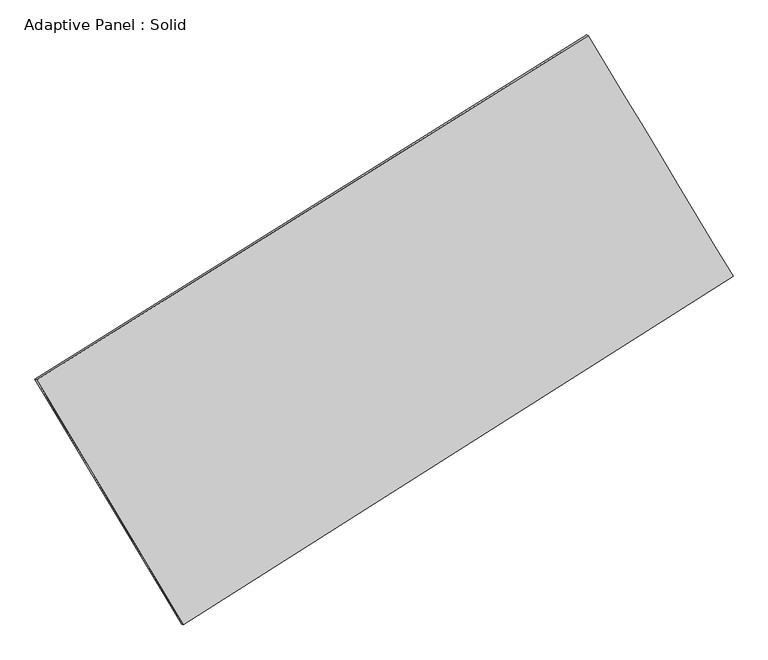
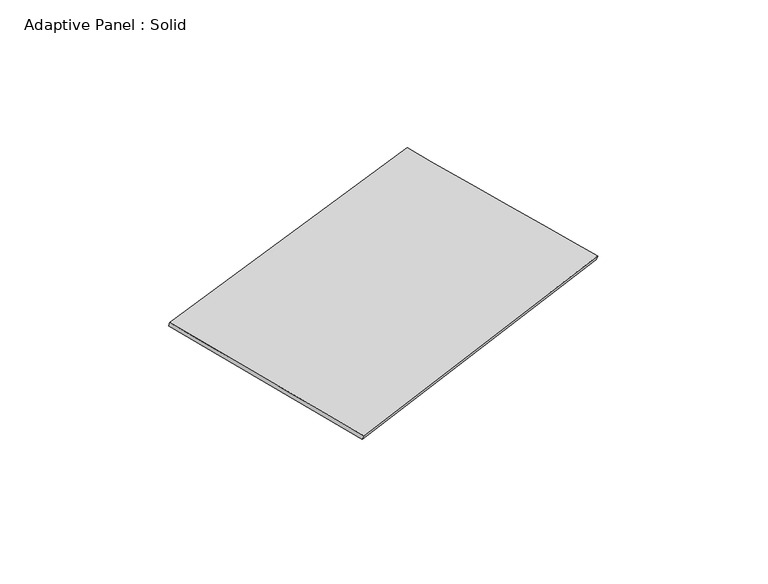
"""IFC4 building model written with IfcOpenShell, lengths in millimetres: plate geometry, Adaptive Panel : Solid."""

from ifc_helpers import new_model, si_unit, frame, origin, place, context, project, spatial, source, transform, mapped, element, save
from ifc_brep_helpers import plane_surface, spline_surface, advanced_brep


def adaptive_panel_solid_89b33cf4(model_context):
    return source(origin(), model_context, "Body", "AdvancedBrep", [
        advanced_brep(
        [(1153.0041671, 2509.4750996, 653.8529502), (-3750.7328583, -551.7136566, 1780.3754632), (-3736.0665025, -558.0937501, 1827.7483713), (1167.6705229, 2503.0950061, 701.2258582), (-2446.4293411, -2728.8900974, 1062.9313948), (-2431.7629852, -2735.2701909, 1110.3043028), (2440.8674542, 370.8800816, -12.037288), (2455.53381, 364.4999881, 35.33562)],
        [
            (0, 1),
            (1, 2),
            (2, 3),
            (3, 0),
            (1, 4),
            (4, 5),
            (5, 2),
            (4, 6),
            (6, 7),
            (7, 5),
            (6, 0),
            (3, 7),
        ],
        [
            plane_surface(frame((-1298.8643456, 978.8807215, 1217.1142067), z_axis=(-0.46805381110238936, 0.8449829567454281, 0.2587072336102783), x_axis=(-0.8326193821621098, -0.519767898980372, 0.19127544441855698))),
            plane_surface(frame((-3098.5810997, -1640.301877, 1421.653429), z_axis=(-0.8168519010842209, -0.5483589571094203, 0.1790402911440973), x_axis=(0.4945360023092012, -0.8254920109779501, -0.27202404715688944))),
            plane_surface(frame((-2.7809434, -1179.0050079, 525.4470534), z_axis=(0.47562959199529997, -0.8402159208482146, -0.26041063260084396), x_axis=(0.8302680577920251, 0.5265978871301812, -0.18261877636291324))),
            plane_surface(frame((1796.9358106, 1440.1775906, 320.9078311), z_axis=(0.8171407081093558, 0.5478780946868462, -0.17919446563120295), x_axis=(-0.49845381619828444, 0.8277205031766848, 0.2577257490789441))),
            spline_surface(1, 1, [[(-3736.0665025, -558.0937501, 1827.7483713), (1167.6705229, 2503.0950061, 701.2258582)], [(-2431.7629852, -2735.2701909, 1110.3043028), (2455.53381, 364.4999881, 35.33562)]], [2, 2], [2, 2], [0.0, 1.0], [0.0, 1.0]),
            spline_surface(1, 1, [[(2440.8674542, 370.8800816, -12.037288), (1153.0041671, 2509.4750996, 653.8529502)], [(-2446.4293411, -2728.8900974, 1062.9313948), (-3750.7328583, -551.7136566, 1780.3754632)]], [2, 2], [2, 2], [0.0, 1.0], [0.0, 1.0]),
        ],
        [
            (0, [[1, 2, 3, 4]]),
            (1, [[5, 6, 7, -2]]),
            (2, [[8, 9, 10, -6]]),
            (3, [[11, -4, 12, -9]]),
            (4, [[-3, -7, -10, -12]]),
            (5, [[-11, -8, -5, -1]]),
        ],
    ),
    ])


if __name__ == "__main__":
    model = new_model("IFC4")
    model_context = context("Model", 3, world=origin())
    ifc_project = project(units=[si_unit("LENGTHUNIT", "METRE", prefix="MILLI")], contexts=[model_context])
    site = spatial("IfcSite", under=ifc_project)
    building = spatial("IfcBuilding", under=site)
    placement = place(None, origin())
    adaptive_panel_solid_shape = adaptive_panel_solid_89b33cf4(model_context)
    element("IfcPlate", 1, ObjectType="Adaptive Panel : Solid", at=placement, inside=building, context=model_context, shape_type="MappedRepresentation", body=[
        mapped(adaptive_panel_solid_shape, transform((0.0, 0.0, 0.0), x_axis=(1.0, 0.0, 0.0), y_axis=(0.0, 1.0, 0.0), z_axis=(0.0, 0.0, 1.0))),
    ])
    save(model, "model.ifc")
